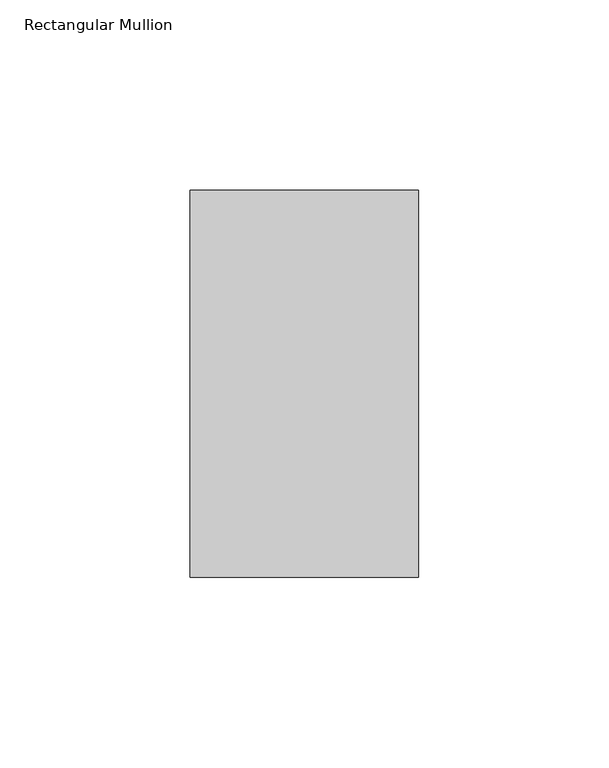
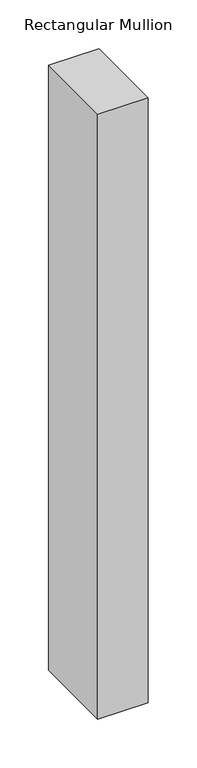
"""IFC4 building model written with IfcOpenShell, lengths in millimetres: member geometry, Rectangular Mullion."""

from ifc_helpers import new_model, si_unit, frame, origin, place, context, project, spatial, polyline, outline, extrude, source, transform, mapped, element, save


def rectangular_mullion_ec856c2b(model_context):
    return source(origin(), model_context, "Body", "SweptSolid", [
        extrude(outline(polyline([(30.0, 50.8), (30.0, -50.8), (-30.0, -50.8), (-30.0, 50.8), (30.0, 50.8)])), frame((0.0, 0.0, -760.0), z_axis=(0.0, 0.0, 1.0), x_axis=(1.0, 0.0, 0.0)), (0.0, 0.0, 1.0), 760.0),
    ])


if __name__ == "__main__":
    model = new_model("IFC4")
    model_context = context("Model", 3, world=origin())
    ifc_project = project(units=[si_unit("LENGTHUNIT", "METRE", prefix="MILLI")], contexts=[model_context])
    site = spatial("IfcSite", under=ifc_project)
    building = spatial("IfcBuilding", under=site)
    placement = place(None, origin())
    rectangular_mullion_shape = rectangular_mullion_ec856c2b(model_context)
    element("IfcMember", 1, ObjectType="Rectangular Mullion", at=placement, inside=building, context=model_context, shape_type="MappedRepresentation", body=[
        mapped(rectangular_mullion_shape, transform((0.0, 0.0, 0.0), x_axis=(1.0, 0.0, 0.0), y_axis=(0.0, 1.0, 0.0), z_axis=(0.0, 0.0, 1.0))),
    ])
    save(model, "model.ifc")
